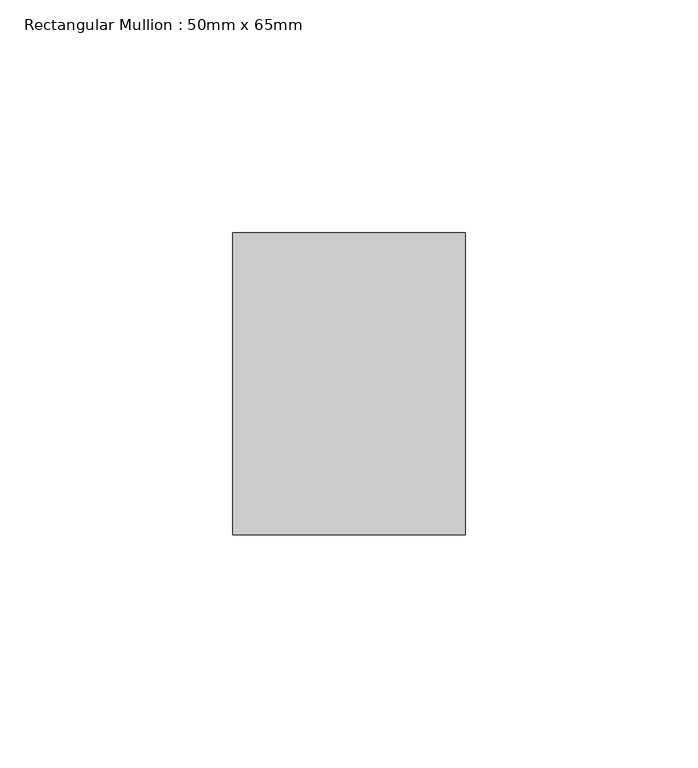
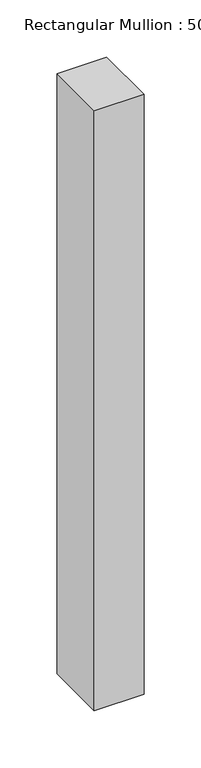
"""IFC4 building model written with IfcOpenShell, lengths in millimetres: member geometry, Rectangular Mullion : 50mm x 65mm."""

from ifc_helpers import new_model, si_unit, frame, origin, place, context, project, spatial, polyline, outline, extrude, source, transform, mapped, element, save


def rectangular_mullion_50mm_x_65mm_14210080(model_context):
    return source(origin(), model_context, "Body", "SweptSolid", [
        extrude(outline(polyline([(25.0, 32.5), (25.0, -32.5), (-25.0, -32.5), (-25.0, 32.5), (25.0, 32.5)])), frame((0.0, 0.0, -639.7126427), z_axis=(0.0, 0.0, 1.0), x_axis=(1.0, 0.0, 0.0)), (0.0, 0.0, 1.0), 639.7126427),
    ])


if __name__ == "__main__":
    model = new_model("IFC4")
    model_context = context("Model", 3, world=origin())
    ifc_project = project(units=[si_unit("LENGTHUNIT", "METRE", prefix="MILLI")], contexts=[model_context])
    site = spatial("IfcSite", under=ifc_project)
    building = spatial("IfcBuilding", under=site)
    placement = place(None, origin())
    rectangular_mullion_50mm_x_65mm_shape = rectangular_mullion_50mm_x_65mm_14210080(model_context)
    element("IfcMember", 1, ObjectType="Rectangular Mullion : 50mm x 65mm", at=placement, inside=building, context=model_context, shape_type="MappedRepresentation", body=[
        mapped(rectangular_mullion_50mm_x_65mm_shape, transform((0.0, 0.0, 0.0), x_axis=(1.0, 0.0, 0.0), y_axis=(0.0, 1.0, 0.0), z_axis=(0.0, 0.0, 1.0))),
    ])
    save(model, "model.ifc")
